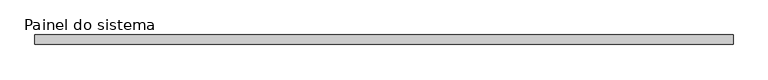
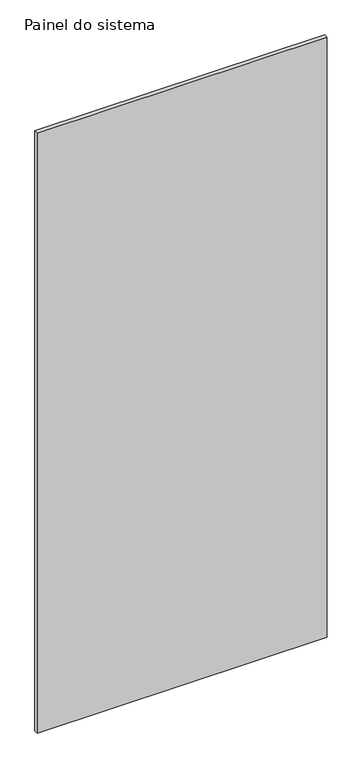
"""IFC4 building model written with IfcOpenShell, lengths in millimetres: plate geometry, Painel do sistema."""

from ifc_helpers import new_model, si_unit, origin, origin_with_axes, place, context, project, spatial, polyline, outline, extrude, source, transform, mapped, element, save


def painel_do_sistema_66cf68f7(model_context):
    return source(origin(), model_context, "Body", "SweptSolid", [
        extrude(outline(polyline([(915.0000002, 24.5), (-915.0000002, 24.5), (-915.0000002, 49.5), (915.0000002, 49.5), (915.0000002, 24.5)])), origin_with_axes(), (0.0, 0.0, 1.0), 4000.0),
    ])


if __name__ == "__main__":
    model = new_model("IFC4")
    model_context = context("Model", 3, world=origin())
    ifc_project = project(units=[si_unit("LENGTHUNIT", "METRE", prefix="MILLI")], contexts=[model_context])
    site = spatial("IfcSite", under=ifc_project)
    building = spatial("IfcBuilding", under=site)
    placement = place(None, origin())
    painel_do_sistema_shape = painel_do_sistema_66cf68f7(model_context)
    element("IfcPlate", 1, ObjectType="Painel do sistema", at=placement, inside=building, context=model_context, shape_type="MappedRepresentation", body=[
        mapped(painel_do_sistema_shape, transform((0.0, 0.0, 0.0), x_axis=(1.0, 0.0, 0.0), y_axis=(0.0, 1.0, 0.0), z_axis=(0.0, 0.0, 1.0))),
    ])
    save(model, "model.ifc")
